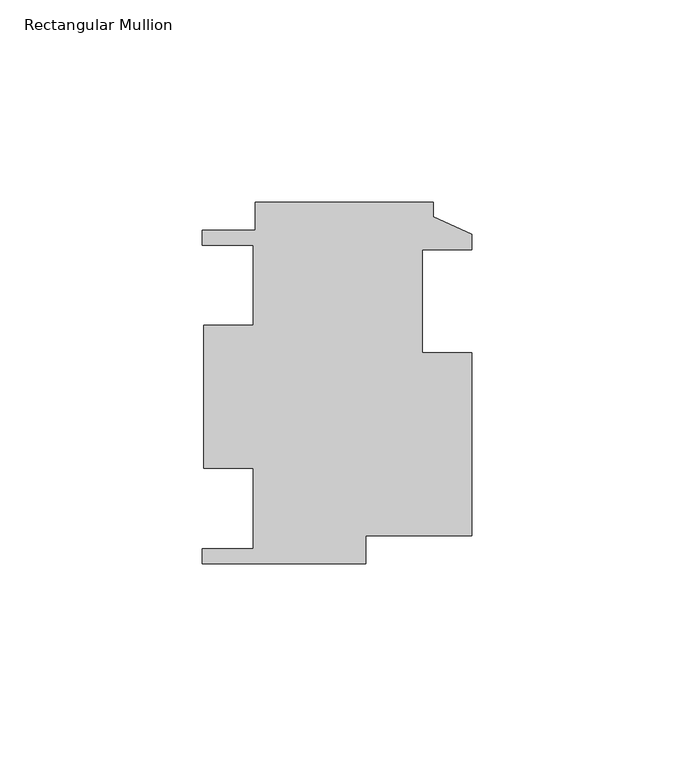
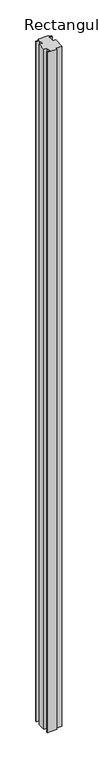
"""IFC4 building model written with IfcOpenShell, lengths in millimetres: member geometry, Rectangular Mullion."""

from ifc_helpers import new_model, si_unit, frame, origin, place, context, project, spatial, polyline, outline, extrude, source, transform, mapped, element, save


def rectangular_mullion_3669ec65(model_context):
    return source(origin(), model_context, "Body", "SweptSolid", [
        extrude(outline(polyline([(-26.2200205, -36.8173269), (-26.2200205, -43.7261269), (-66.6822205, -43.7261269), (-66.6822205, -39.9923269), (-53.9822205, -39.9923269), (-53.9822205, -20.1549269), (-66.336519, -20.1549269), (-66.336519, 15.2526731), (-53.9822205, 15.2526731), (-53.9822205, 35.0900731), (-66.6822205, 35.0900731), (-66.6822205, 38.8238731), (-53.4924, 38.8238731), (-53.4924, 45.7326731), (-9.525, 45.7326731), (-9.525, 42.1258731), (0.0, 37.8078731), (0.0, 33.8962731), (-12.2174, 33.8962731), (-12.2174, 8.4962731), (0.0, 8.4962731), (0.0, -36.8173269), (-26.2200205, -36.8173269)])), frame((0.0, 0.0, -3048.0), z_axis=(0.0, 0.0, 1.0), x_axis=(1.0, 0.0, 0.0)), (0.0, 0.0, 1.0), 3048.0),
    ])


if __name__ == "__main__":
    model = new_model("IFC4")
    model_context = context("Model", 3, world=origin())
    ifc_project = project(units=[si_unit("LENGTHUNIT", "METRE", prefix="MILLI")], contexts=[model_context])
    site = spatial("IfcSite", under=ifc_project)
    building = spatial("IfcBuilding", under=site)
    placement = place(None, origin())
    rectangular_mullion_shape = rectangular_mullion_3669ec65(model_context)
    element("IfcMember", 1, ObjectType="Rectangular Mullion", at=placement, inside=building, context=model_context, shape_type="MappedRepresentation", body=[
        mapped(rectangular_mullion_shape, transform((0.0, 0.0, 0.0), x_axis=(1.0, 0.0, 0.0), y_axis=(0.0, 1.0, 0.0), z_axis=(0.0, 0.0, 1.0))),
    ])
    save(model, "model.ifc")
